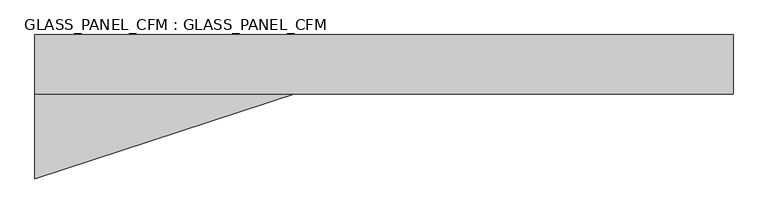
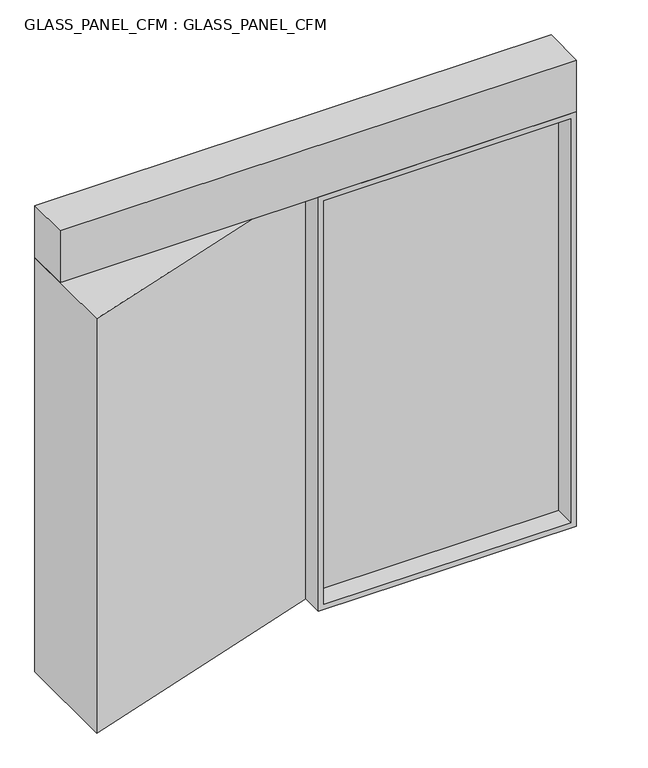
"""IFC4 building model written with IfcOpenShell, lengths in millimetres: plate geometry, GLASS_PANEL_CFM : GLASS_PANEL_CFM."""

from ifc_helpers import new_model, si_unit, frame, origin, origin_with_axes, place, context, project, spatial, polyline, outline, extrude, source, transform, mapped, element, save


def glass_panel_cfm_glass_panel_cfm_5caffb06(model_context):
    return source(origin(), model_context, "Body", "SweptSolid", [
        extrude(outline(polyline([(2307.1749455, -195.0), (2307.1749455, -205.0), (50.0, -205.0), (50.0, -195.0), (2307.1749455, -195.0)])), frame((0.0, 0.0, 50.0), z_axis=(0.0, 0.0, 1.0), x_axis=(1.0, 0.0, 0.0)), (0.0, 0.0, 1.0), 3900.8674713),
        extrude(outline(polyline([(4000.8674713, 0.0), (0.0, 0.0), (0.0, 2357.1749455), (4000.8674713, 2357.1749455), (4000.8674713, 0.0)]), holes=[polyline([(3950.8674713, 50.0), (3950.8674713, 2307.1749455), (50.0, 2307.1749455), (50.0, 50.0), (3950.8674713, 50.0)])]), frame((0.0, -400.0, 0.0), z_axis=(0.0, 1.0, 0.0), x_axis=(0.0, 0.0, 1.0)), (0.0, 0.0, 1.0), 400.0),
        extrude(outline(polyline([(-2357.1749455, 0.0), (0.0, 0.0), (0.0, -200.0), (-2357.1749455, -975.8950223), (-2357.1749455, 0.0)])), origin_with_axes(), (0.0, 0.0, 1.0), 4000.8674713),
        extrude(outline(polyline([(2357.1749455, -400.0), (-2357.1749455, -400.0), (-2357.1749455, 0.0), (2357.1749455, 0.0), (2357.1749455, -400.0)])), frame((0.0, 0.0, 4000.8674713), z_axis=(0.0, 0.0, 1.0), x_axis=(1.0, 0.0, 0.0)), (0.0, 0.0, 1.0), 499.1325287),
    ])


if __name__ == "__main__":
    model = new_model("IFC4")
    model_context = context("Model", 3, world=origin())
    ifc_project = project(units=[si_unit("LENGTHUNIT", "METRE", prefix="MILLI")], contexts=[model_context])
    site = spatial("IfcSite", under=ifc_project)
    building = spatial("IfcBuilding", under=site)
    placement = place(None, origin())
    glass_panel_cfm_glass_panel_cfm_shape = glass_panel_cfm_glass_panel_cfm_5caffb06(model_context)
    element("IfcPlate", 1, ObjectType="GLASS_PANEL_CFM : GLASS_PANEL_CFM", at=placement, inside=building, context=model_context, shape_type="MappedRepresentation", body=[
        mapped(glass_panel_cfm_glass_panel_cfm_shape, transform((0.0, 0.0, 0.0), x_axis=(1.0, 0.0, 0.0), y_axis=(0.0, 1.0, 0.0), z_axis=(0.0, 0.0, 1.0))),
    ])
    save(model, "model.ifc")
